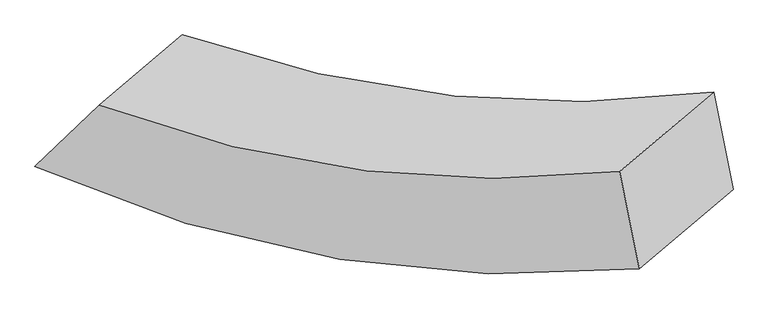
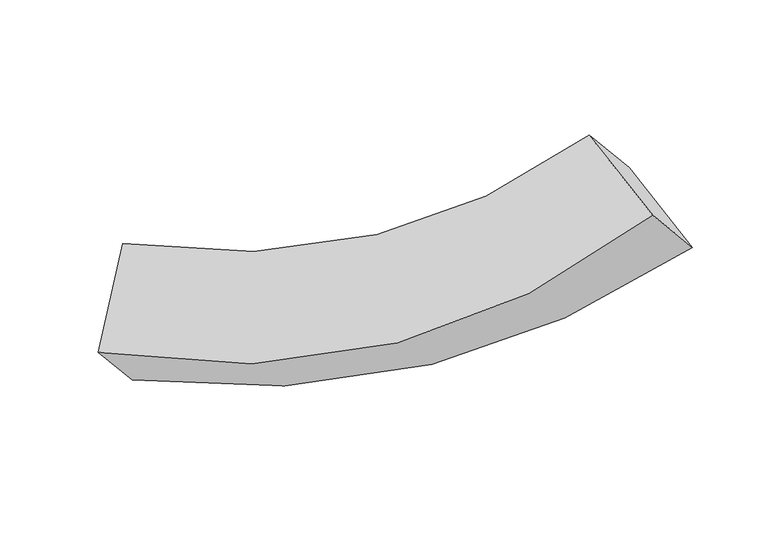
"""IFC4 building model written with IfcOpenShell, lengths in millimetres: proxy geometry."""

from ifc_helpers import new_model, si_unit, frame, origin, place, context, project, spatial, source, transform, mapped, element, save
from ifc_brep_helpers import plane_surface, spline_curve, spline_surface, advanced_brep


def generic_models_8f7d91d3(model_context):
    return source(origin(), model_context, "Body", "AdvancedBrep", [
        advanced_brep(
        [(11145.5251078, -3786.6724836, 1988.3891655), (11036.5732314, -3243.318599, 2258.760583), (8141.6651217, -2872.2395303, 2284.7849524), (7782.3127963, -3215.5872476, 1850.528978), (11666.9714319, -3344.1437545, 1309.1859039), (8225.9242457, -2839.1135784, 1272.7085402), (11558.0195556, -2800.7898699, 1579.5573214), (8601.5062583, -2481.9924342, 1685.8247424)],
        [
            (0, 1),
            (1, 2, spline_curve(3, [(11036.5732314, -3243.318599, 2258.760583), (10563.522975235, -3297.938245311, 2120.29667285), (10092.855396563, -3296.94837808, 2051.047880015), (9127.585014134, -3180.280712734, 2050.978465262), (8633.283222892, -3057.577557147, 2128.90204793), (8141.6651217, -2872.2395303, 2284.7849524)], [4, 2, 4], [0.0, 5.159533485157607, 10.635288152724549])),
            (2, 3),
            (3, 0, spline_curve(3, [(7782.3127963, -3215.5872476, 1850.528978), (8335.311328918, -3467.392772492, 1678.401118573), (8900.771365873, -3640.014583875, 1607.07782141), (10023.239864706, -3821.49479243, 1664.337828181), (10578.850598172, -3839.234726206, 1781.614521048), (11145.5251078, -3786.6724836, 1988.3891655)], [4, 2, 4], [0.0, 5.4757546675669415, 10.635288152724549])),
            (4, 0),
            (3, 5),
            (5, 4, spline_curve(3, [(8225.9242457, -2839.1135784, 1272.7085402), (8782.234974367, -3070.994837262, 1124.277077634), (9356.179555332, -3228.113929237, 1055.491250255), (10505.173162027, -3388.071721249, 1076.583719086), (11078.244309724, -3399.296021467, 1157.528667825), (11666.9714319, -3344.1437545, 1309.1859039)], [4, 2, 4], [0.0, 5.9503300528065814, 11.557032511015255])),
            (6, 4),
            (5, 7),
            (7, 6, spline_curve(3, [(8601.5062583, -2481.9924342, 1685.8247424), (9104.206261129, -2657.925734882, 1515.507248103), (9609.327843827, -2771.446605926, 1423.490483959), (10595.103889617, -2870.71200986, 1396.850508638), (11075.486739428, -2863.45695087, 1453.444798907), (11558.0195556, -2800.7898699, 1579.5573214)], [4, 2, 4], [0.0, 5.556357068473015, 10.791838219606637])),
            (1, 6),
            (7, 2),
        ],
        [
            spline_surface(3, 3, [[(11145.5251078, -3786.6724836, 1988.3891655), (10578.85059819, -3839.23472626, 1781.614521112), (10023.239864629, -3821.494792433, 1664.337828119), (8900.771365955, -3640.014583872, 1607.077821476), (8335.311328969, -3467.39277241, 1678.401118649), (7782.3127963, -3215.5872476, 1850.528978)], [(11109.207815698, -3605.554522071, 2078.512971331), (10573.741390554, -3658.802565925, 1894.508571682), (10046.445041949, -3646.645987601, 1793.241178758), (8976.375915337, -3486.769960171, 1755.044702742), (8434.635293579, -3330.787700681, 1828.568095056), (7902.096904751, -3101.1380085, 1995.280969461)], [(11072.890523502, -3424.436560529, 2168.636777169), (10568.632182823, -3478.370405577, 2007.402622258), (10069.650219271, -3471.797182826, 1922.14452938), (9051.980464721, -3333.525336526, 1903.011583991), (8533.959258237, -3194.182628953, 1978.735071479), (8021.881013249, -2986.6887694, 2140.032960939)], [(11036.5732314, -3243.318599, 2258.760583), (10563.522975188, -3297.938245242, 2120.296672827), (10092.855396592, -3296.948377995, 2051.047880019), (9127.585014103, -3180.280712824, 2050.978465258), (8633.283222848, -3057.577557225, 2128.902047886), (8141.6651217, -2872.2395303, 2284.7849524)]], [4, 4], [4, 2, 4], [0.0, 2.170026714047717], [0.0, 5.159533485157607, 10.635288152724549]),
            spline_surface(3, 3, [[(11666.9714319, -3344.1437545, 1309.1859039), (11078.244309649, -3399.296021505, 1157.528667742), (10505.173161943, -3388.071721316, 1076.583719121), (9356.179555423, -3228.113929166, 1055.491250218), (8782.234974372, -3070.994837337, 1124.277077639), (8225.9242457, -2839.1135784, 1272.7085402)], [(11493.155990518, -3491.653330875, 1535.586991097), (10911.779739147, -3545.942256432, 1365.55728553), (10344.5287295, -3532.546078349, 1272.501755454), (9204.376825595, -3365.414147396, 1239.353440637), (8633.260425901, -3203.127482355, 1308.985091316), (8078.053762563, -2964.604801461, 1465.315352807)], [(11319.340549182, -3639.162907225, 1761.988078303), (10745.315168692, -3692.588491333, 1573.585903325), (10183.884297071, -3677.0204354, 1468.419791786), (9052.574095782, -3502.714365643, 1423.215631056), (8484.28587744, -3335.260127391, 1493.693104972), (7930.183279437, -3090.096024539, 1657.922165393)], [(11145.5251078, -3786.6724836, 1988.3891655), (10578.85059819, -3839.23472626, 1781.614521112), (10023.239864629, -3821.494792433, 1664.337828119), (8900.771365955, -3640.014583872, 1607.077821476), (8335.311328969, -3467.39277241, 1678.401118649), (7782.3127963, -3215.5872476, 1850.528978)]], [4, 4], [4, 2, 4], [0.0, 2.7846182124561105], [0.0, 5.606702458208673, 11.557032511015255]),
            spline_surface(3, 3, [[(11558.0195556, -2800.7898699, 1579.5573214), (11075.486739352, -2863.456950839, 1453.444798909), (10595.103889599, -2870.712009906, 1396.850508552), (9609.327843845, -2771.446605878, 1423.49048405), (9104.206261188, -2657.92573495, 1515.507248057), (8601.5062583, -2481.9924342, 1685.8247424)], [(11594.336847702, -2981.907831429, 1489.433515569), (11076.405929452, -3042.06997439, 1354.806088522), (10565.126980376, -3043.165247049, 1290.094912059), (9524.945081033, -2923.669046981, 1300.824072756), (8996.882498941, -2795.615435753, 1385.097191228), (8476.312254125, -2601.032815607, 1548.119341644)], [(11630.654139798, -3163.025792971, 1399.309709731), (11077.325119548, -3220.682997955, 1256.167378129), (10535.150071166, -3215.618484173, 1183.339315614), (9440.562318235, -3075.891488064, 1178.157661511), (8889.558736619, -2933.305136534, 1254.687134468), (8351.118249875, -2720.073196993, 1410.413940956)], [(11666.9714319, -3344.1437545, 1309.1859039), (11078.244309649, -3399.296021505, 1157.528667742), (10505.173161943, -3388.071721316, 1076.583719121), (9356.179555423, -3228.113929166, 1055.491250218), (8782.234974372, -3070.994837337, 1124.277077639), (8225.9242457, -2839.1135784, 1272.7085402)]], [4, 4], [4, 2, 4], [0.0, 2.038092652702546], [0.0, 5.235481151133622, 10.791838219606637]),
            spline_surface(3, 3, [[(11036.5732314, -3243.318599, 2258.760583), (10563.522975188, -3297.938245242, 2120.296672827), (10092.855396592, -3296.948377995, 2051.047880019), (9127.585014103, -3180.280712824, 2050.978465258), (8633.283222848, -3057.577557225, 2128.902047886), (8141.6651217, -2872.2395303, 2284.7849524)], [(11210.388672782, -3095.809022625, 2032.359495803), (10734.177563225, -3153.1111471, 1898.012714857), (10260.271560938, -3154.86958865, 1832.982089541), (9288.165957361, -3044.002677193, 1841.815804866), (8790.257568956, -2924.360283132, 1924.43711463), (8294.945500561, -2742.157164932, 2085.131549088)], [(11384.204114218, -2948.299446275, 1805.958408597), (10904.832151315, -3008.284048982, 1675.728756879), (10427.687725253, -3012.790799251, 1614.91629903), (9448.746900588, -2907.724641509, 1632.653144442), (8947.23191508, -2791.143009043, 1719.972181313), (8448.225879439, -2612.074799568, 1885.478145712)], [(11558.0195556, -2800.7898699, 1579.5573214), (11075.486739352, -2863.456950839, 1453.444798909), (10595.103889599, -2870.712009906, 1396.850508552), (9609.327843845, -2771.446605878, 1423.49048405), (9104.206261188, -2657.92573495, 1515.507248057), (8601.5062583, -2481.9924342, 1685.8247424)]], [4, 4], [4, 2, 4], [0.0, 1.0], [0.0, 0.48513339846234793, 1.0]),
            plane_surface(frame((8187.8521055, -2852.2331976, 1773.4618032), z_axis=(-0.6702936819432727, 0.7414255139036983, -0.031537077853974804), x_axis=(-0.5409895724518858, -0.45911423070960294, 0.7046590705144263))),
            plane_surface(frame((11351.7723317, -3293.7311768, 1783.9732434), z_axis=(0.8222584203258582, -0.11270411633289018, 0.5578430535238804), x_axis=(0.17669570651702043, -0.8811991292106246, -0.4384822938008876))),
        ],
        [
            (0, [[1, 2, 3, 4]]),
            (1, [[5, -4, 6, 7]]),
            (2, [[8, -7, 9, 10]]),
            (3, [[11, -10, 12, -2]]),
            (4, [[-6, -3, -12, -9]]),
            (5, [[-1, -5, -8, -11]]),
        ],
    ),
    ])


if __name__ == "__main__":
    model = new_model("IFC4")
    model_context = context("Model", 3, world=origin())
    ifc_project = project(units=[si_unit("LENGTHUNIT", "METRE", prefix="MILLI")], contexts=[model_context])
    site = spatial("IfcSite", under=ifc_project)
    building = spatial("IfcBuilding", under=site)
    placement = place(None, origin())
    generic_models_shape = generic_models_8f7d91d3(model_context)
    element("IfcBuildingElementProxy", 1, Name="Generic Models", at=placement, inside=building, context=model_context, shape_type="MappedRepresentation", body=[
        mapped(generic_models_shape, transform((0.0, 0.0, 0.0), x_axis=(1.0, 0.0, 0.0), y_axis=(0.0, 1.0, 0.0), z_axis=(0.0, 0.0, 1.0))),
    ])
    save(model, "model.ifc")
